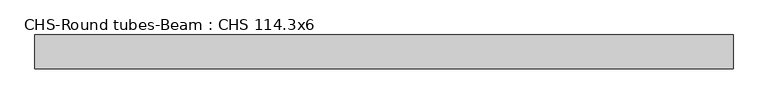
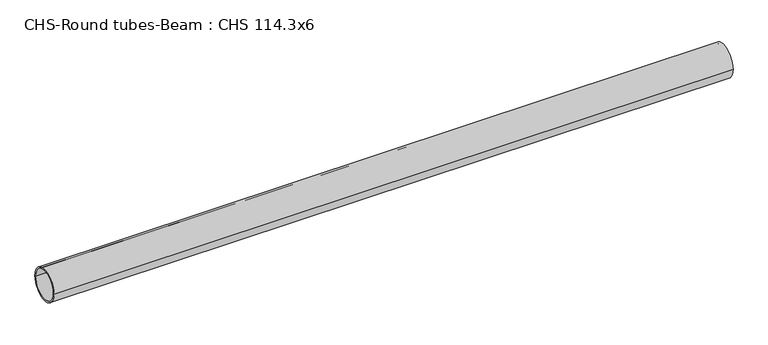
"""IFC4 building model written with IfcOpenShell, lengths in millimetres: beam geometry, CHS-Round tubes-Beam : CHS 114.3x6."""

from ifc_helpers import new_model, si_unit, point, frame, origin, origin_2d, place, context, project, spatial, circle_curve, trimmed, segment, composite_curve, outline, extrude, source, transform, mapped, element, save


def chs_round_tubes_beam_chs_114_3x6_f8aa844a(model_context):
    return source(origin(), model_context, "Body", "SweptSolid", [
        extrude(outline(composite_curve([segment(trimmed(circle_curve(origin_2d(), 57.15), [point((57.15, 0.0))], [point((-57.15, 0.0))], False, "CARTESIAN"), True, "CONTINUOUS"), segment(trimmed(circle_curve(origin_2d(), 57.15), [point((-57.15, 0.0))], [point((57.15, 0.0))], False, "CARTESIAN"), True, "CONTINUOUS")], self_intersect=False), holes=[composite_curve([segment(trimmed(circle_curve(origin_2d(), 51.15), [point((51.15, 0.0))], [point((-51.15, 0.0))], True, "CARTESIAN"), True, "CONTINUOUS"), segment(trimmed(circle_curve(origin_2d(), 51.15), [point((-51.15, 0.0))], [point((51.15, 0.0))], True, "CARTESIAN"), True, "CONTINUOUS")], self_intersect=False)]), frame((-1015.421076, 0.0, 0.0), z_axis=(1.0, 0.0, 0.0), x_axis=(0.0, 1.0, 0.0)), (0.0, 0.0, 1.0), 2360.9188292),
    ])


if __name__ == "__main__":
    model = new_model("IFC4")
    model_context = context("Model", 3, world=origin())
    ifc_project = project(units=[si_unit("LENGTHUNIT", "METRE", prefix="MILLI")], contexts=[model_context])
    site = spatial("IfcSite", under=ifc_project)
    building = spatial("IfcBuilding", under=site)
    placement = place(None, origin())
    chs_round_tubes_beam_chs_114_3x6_shape = chs_round_tubes_beam_chs_114_3x6_f8aa844a(model_context)
    element("IfcBeam", 1, ObjectType="CHS-Round tubes-Beam : CHS 114.3x6", at=placement, inside=building, context=model_context, shape_type="MappedRepresentation", body=[
        mapped(chs_round_tubes_beam_chs_114_3x6_shape, transform((0.0, 0.0, 0.0), x_axis=(1.0, 0.0, 0.0), y_axis=(0.0, 1.0, 0.0), z_axis=(0.0, 0.0, 1.0))),
    ])
    save(model, "model.ifc")
